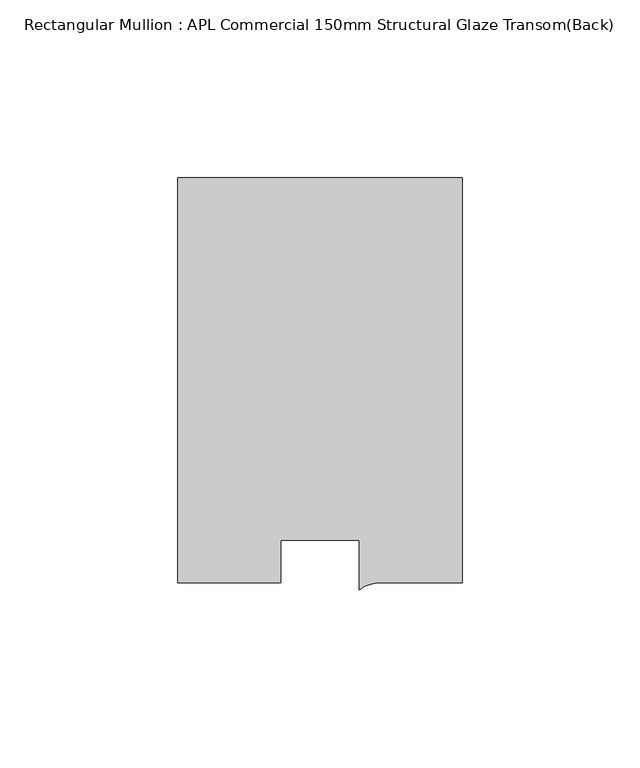
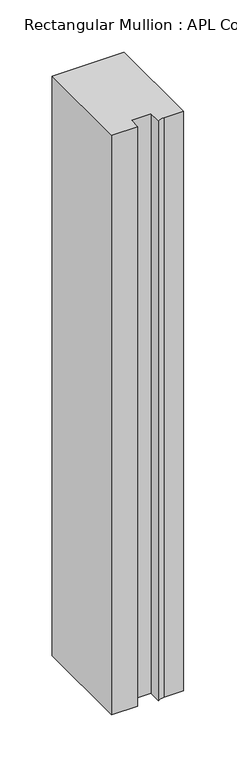
"""IFC4 building model written with IfcOpenShell, lengths in millimetres: member geometry, Rectangular Mullion : APL Commercial 150mm Structural Glaze Transom(Back)."""

from ifc_helpers import new_model, si_unit, point, frame, frame_2d, origin, place, context, project, spatial, polyline, circle_curve, trimmed, segment, composite_curve, outline, extrude, source, transform, mapped, element, save


def rectangular_mullion_apl_commercial_150mm_structural_glaze_844cfb53(model_context):
    return source(origin(), model_context, "Body", "SweptSolid", [
        extrude(outline(composite_curve([segment(polyline([(40.0, 128.9999975), (40.0, 15.0000829), (17.9999542, 15.0000829)]), True, "CONTINUOUS"), segment(trimmed(circle_curve(frame_2d((17.1097719, 4.581653)), 10.4563907), [point((17.9999542, 15.0000829))], [point((11.0000151, 13.0673455))], True, "CARTESIAN"), True, "CONTINUOUS"), segment(polyline([(11.0000151, 13.0673455), (11.0000151, 27.0), (-11.0000151, 27.0), (-11.0000151, 15.0000829), (-40.0, 15.0000829), (-40.0, 128.9999975), (40.0, 128.9999975)]), True, "CONTINUOUS")], self_intersect=False)), frame((0.0, 0.0, -678.0468208), z_axis=(0.0, 0.0, 1.0), x_axis=(1.0, 0.0, 0.0)), (0.0, 0.0, 1.0), 678.0468208),
    ])


if __name__ == "__main__":
    model = new_model("IFC4")
    model_context = context("Model", 3, world=origin())
    ifc_project = project(units=[si_unit("LENGTHUNIT", "METRE", prefix="MILLI")], contexts=[model_context])
    site = spatial("IfcSite", under=ifc_project)
    building = spatial("IfcBuilding", under=site)
    placement = place(None, origin())
    rectangular_mullion_apl_commercial_150mm_structural_glaze_shape = rectangular_mullion_apl_commercial_150mm_structural_glaze_844cfb53(model_context)
    element("IfcMember", 1, ObjectType="Rectangular Mullion : APL Commercial 150mm Structural Glaze Transom(Back)", at=placement, inside=building, context=model_context, shape_type="MappedRepresentation", body=[
        mapped(rectangular_mullion_apl_commercial_150mm_structural_glaze_shape, transform((0.0, 0.0, 0.0), x_axis=(1.0, 0.0, 0.0), y_axis=(0.0, 1.0, 0.0), z_axis=(0.0, 0.0, 1.0))),
    ])
    save(model, "model.ifc")
